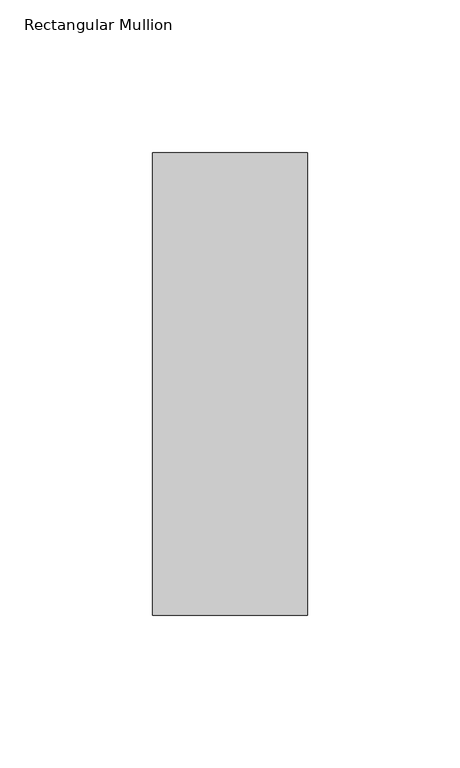
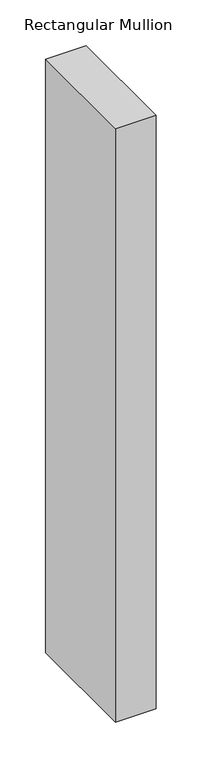
"""IFC4 building model written with IfcOpenShell, lengths in millimetres: member geometry, Rectangular Mullion."""

from ifc_helpers import new_model, si_unit, frame, origin, place, context, project, spatial, polyline, outline, extrude, source, transform, mapped, element, save


def rectangular_mullion_dcaba9e7(model_context):
    return source(origin(), model_context, "Body", "SweptSolid", [
        extrude(outline(polyline([(-50.8, 25.7961253), (0.0, 25.7961253), (0.0, -125.8036906), (-50.8, -125.8036906), (-50.8, 25.7961253)])), frame((0.0, 0.0, -787.4), z_axis=(0.0, 0.0, 1.0), x_axis=(1.0, 0.0, 0.0)), (0.0, 0.0, 1.0), 787.4),
    ])


if __name__ == "__main__":
    model = new_model("IFC4")
    model_context = context("Model", 3, world=origin())
    ifc_project = project(units=[si_unit("LENGTHUNIT", "METRE", prefix="MILLI")], contexts=[model_context])
    site = spatial("IfcSite", under=ifc_project)
    building = spatial("IfcBuilding", under=site)
    placement = place(None, origin())
    rectangular_mullion_shape = rectangular_mullion_dcaba9e7(model_context)
    element("IfcMember", 1, ObjectType="Rectangular Mullion", at=placement, inside=building, context=model_context, shape_type="MappedRepresentation", body=[
        mapped(rectangular_mullion_shape, transform((0.0, 0.0, 0.0), x_axis=(1.0, 0.0, 0.0), y_axis=(0.0, 1.0, 0.0), z_axis=(0.0, 0.0, 1.0))),
    ])
    save(model, "model.ifc")
